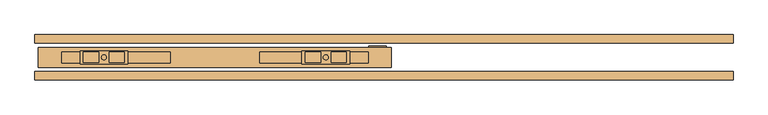
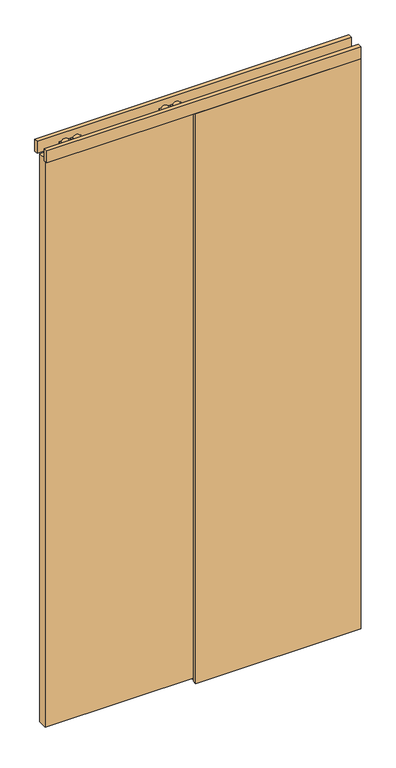
"""IFC4 building model written with IfcOpenShell, lengths in millimetres: door geometry."""

from ifc_helpers import new_model, si_unit, frame, origin, origin_with_axes, place, context, project, spatial, polyline, circle_curve, outline, extrude, source, transform, mapped, element, save
from ifc_brep_helpers import plane_surface, cylinder_surface, advanced_brep


def door_9ad7be4a(model_context):
    return source(origin(), model_context, "Body", "SolidModel", [
        advanced_brep(
        [(-520.0, 5.75, 2687.5), (-520.0, -20.25, 2687.5), (-425.0, -20.25, 2687.5), (-425.0, 5.75, 2687.5), (-462.072332, -17.9531798, 2687.5), (-462.072332, 3.4531798, 2687.5), (-431.78306, 3.4531798, 2687.5), (-431.78306, -17.9531798, 2687.5), (-513.21694, -17.9531798, 2687.5), (-513.21694, 3.4531798, 2687.5), (-482.927668, 3.4531798, 2687.5), (-482.927668, -17.9531798, 2687.5), (-477.45, -7.25, 2687.5), (-467.55, -7.25, 2687.5), (-520.0, 5.75, 2672.5), (-425.0, 5.75, 2672.5), (-425.0, -20.25, 2672.5), (-520.0, -20.25, 2672.5), (-431.78306, -17.9531798, 2672.5), (-431.78306, 3.4531798, 2672.5), (-462.072332, 3.4531798, 2672.5), (-462.072332, -17.9531798, 2672.5), (-482.927668, -17.9531798, 2672.5), (-482.927668, 3.4531798, 2672.5), (-513.21694, 3.4531798, 2672.5), (-513.21694, -17.9531798, 2672.5), (-467.55, -7.25, 2672.5), (-477.45, -7.25, 2672.5), (-467.55, -7.25, 2693.0), (-477.45, -7.25, 2693.0), (-467.55, -7.25, 2656.0), (-477.45, -7.25, 2656.0)],
        [
            (0, 1),
            (1, 2),
            (2, 3),
            (3, 0),
            (4, 5),
            (5, 6),
            (6, 7),
            (7, 4),
            (8, 9),
            (9, 10),
            (10, 11),
            (11, 8),
            (12, 13, circle_curve(frame((-472.5, -7.25, 2687.5), z_axis=(0.0, 0.0, -1.0), x_axis=(-1.0, 0.0, 0.0)), 4.95)),
            (13, 12, circle_curve(frame((-472.5, -7.25, 2687.5), z_axis=(0.0, 0.0, -1.0), x_axis=(-1.0, 0.0, 0.0)), 4.95)),
            (14, 15),
            (15, 16),
            (16, 17),
            (17, 14),
            (18, 19),
            (19, 20),
            (20, 21),
            (21, 18),
            (22, 23),
            (23, 24),
            (24, 25),
            (25, 22),
            (26, 27, circle_curve(frame((-472.5, -7.25, 2672.5), z_axis=(0.0, 0.0, 1.0), x_axis=(-1.0, 0.0, 0.0)), 4.95)),
            (27, 26, circle_curve(frame((-472.5, -7.25, 2672.5), z_axis=(0.0, 0.0, 1.0), x_axis=(-1.0, 0.0, 0.0)), 4.95)),
            (3, 15),
            (14, 0),
            (2, 16),
            (1, 17),
            (7, 4, circle_curve(frame((-446.927696, -17.9531798, 2680.0), z_axis=(0.0, -1.0, 0.0), x_axis=(-1.0, 0.0, 0.0)), 16.9)),
            (21, 18, circle_curve(frame((-446.927696, -17.9531798, 2680.0), z_axis=(0.0, -1.0, 0.0), x_axis=(-1.0, 0.0, 0.0)), 16.9)),
            (5, 6, circle_curve(frame((-446.927696, 3.4531798, 2680.0), z_axis=(0.0, 1.0, 0.0), x_axis=(-1.0, 0.0, 0.0)), 16.9)),
            (19, 20, circle_curve(frame((-446.927696, 3.4531798, 2680.0), z_axis=(0.0, 1.0, 0.0), x_axis=(-1.0, 0.0, 0.0)), 16.9)),
            (11, 8, circle_curve(frame((-498.072304, -17.9531798, 2680.0), z_axis=(0.0, -1.0, 0.0), x_axis=(1.0, 0.0, 0.0)), 16.9)),
            (25, 22, circle_curve(frame((-498.072304, -17.9531798, 2680.0), z_axis=(0.0, -1.0, 0.0), x_axis=(1.0, 0.0, 0.0)), 16.9)),
            (9, 10, circle_curve(frame((-498.072304, 3.4531798, 2680.0), z_axis=(0.0, 1.0, 0.0), x_axis=(1.0, 0.0, 0.0)), 16.9)),
            (23, 24, circle_curve(frame((-498.072304, 3.4531798, 2680.0), z_axis=(0.0, 1.0, 0.0), x_axis=(1.0, 0.0, 0.0)), 16.9)),
            (28, 29, circle_curve(frame((-472.5, -7.25, 2693.0), z_axis=(0.0, 0.0, 1.0), x_axis=(-1.0, 0.0, 0.0)), 4.95)),
            (29, 28, circle_curve(frame((-472.5, -7.25, 2693.0), z_axis=(0.0, 0.0, 1.0), x_axis=(-1.0, 0.0, 0.0)), 4.95)),
            (30, 31, circle_curve(frame((-472.5, -7.25, 2656.0), z_axis=(0.0, 0.0, -1.0), x_axis=(-1.0, 0.0, 0.0)), 4.95)),
            (31, 30, circle_curve(frame((-472.5, -7.25, 2656.0), z_axis=(0.0, 0.0, -1.0), x_axis=(-1.0, 0.0, 0.0)), 4.95)),
            (30, 26),
            (27, 31),
            (29, 12),
            (13, 28),
        ],
        [
            plane_surface(frame((-425.0, 5.75, 2687.5), z_axis=(0.0, 0.0, 1.0), x_axis=(1.0, 0.0, 0.0))),
            plane_surface(frame((-425.0, 5.75, 2672.5), z_axis=(0.0, 0.0, -1.0), x_axis=(-1.0, 0.0, 0.0))),
            plane_surface(frame((-520.0, 5.75, 2687.5), z_axis=(0.0, 1.0, 0.0), x_axis=(0.0, 0.0, -1.0))),
            plane_surface(frame((-425.0, 5.75, 2687.5), z_axis=(1.0, 0.0, 0.0), x_axis=(0.0, 0.0, -1.0))),
            plane_surface(frame((-425.0, -20.25, 2687.5), z_axis=(0.0, -1.0, 0.0), x_axis=(0.0, 0.0, -1.0))),
            plane_surface(frame((-520.0, -20.25, 2687.5), z_axis=(-1.0, 0.0, 0.0), x_axis=(0.0, 0.0, -1.0))),
            plane_surface(frame((-463.827696, -17.9531798, 2680.0), z_axis=(0.0, -1.0, 0.0), x_axis=(0.0, 0.0, 1.0))),
            plane_surface(frame((-463.827696, 3.4531798, 2680.0), z_axis=(0.0, 1.0, 0.0), x_axis=(0.0, 0.0, -1.0))),
            cylinder_surface(frame((-446.927696, 3.4531798, 2680.0), z_axis=(0.0, -1.0, 0.0), x_axis=(-1.0, 0.0, 0.0)), 16.9),
            plane_surface(frame((-481.172304, -17.9531798, 2680.0), z_axis=(0.0, -1.0, 0.0), x_axis=(0.0, 0.0, -1.0))),
            plane_surface(frame((-481.172304, 3.4531798, 2680.0), z_axis=(0.0, 1.0, 0.0), x_axis=(0.0, 0.0, 1.0))),
            cylinder_surface(frame((-498.072304, 3.4531798, 2680.0), z_axis=(0.0, -1.0, 0.0), x_axis=(1.0, 0.0, 0.0)), 16.9),
            plane_surface(frame((-477.45, -7.25, 2693.0), z_axis=(0.0, 0.0, 1.0), x_axis=(0.0, 1.0, 0.0))),
            plane_surface(frame((-477.45, -7.25, 2656.0), z_axis=(0.0, 0.0, -1.0), x_axis=(0.0, -1.0, 0.0))),
            cylinder_surface(frame((-472.5, -7.25, 2656.0), z_axis=(0.0, 0.0, 1.0), x_axis=(-1.0, 0.0, 0.0)), 4.95),
        ],
        [
            (0, [[1, 2, 3, 4], [5, 6, 7, 8], [9, 10, 11, 12], [13, 14]]),
            (1, [[15, 16, 17, 18], [19, 20, 21, 22], [23, 24, 25, 26], [27, 28]]),
            (2, [[29, -15, 30, -4]]),
            (3, [[31, -16, -29, -3]]),
            (4, [[32, -17, -31, -2]]),
            (5, [[-30, -18, -32, -1]]),
            (6, [[-8, 33]]),
            (6, [[-22, 34]]),
            (7, [[-6, 35]]),
            (7, [[-20, 36]]),
            (8, [[-21, -36, -19, -34]]),
            (8, [[-7, -35, -5, -33]]),
            (9, [[-12, 37]]),
            (9, [[-26, 38]]),
            (10, [[-10, 39]]),
            (10, [[-24, 40]]),
            (11, [[-25, -40, -23, -38]]),
            (11, [[-11, -39, -9, -37]]),
            (12, [[41, 42]]),
            (13, [[43, 44]]),
            (14, [[45, -28, 46, -43]]),
            (14, [[47, -14, 48, -42]]),
            (14, [[-48, -13, -47, -41]]),
            (14, [[-46, -27, -45, -44]]),
        ],
    ),
        extrude(outline(polyline([(-556.5, -18.5074263), (-556.5, 3.4925737), (-341.5, 3.4925737), (-341.5, -18.5074263), (-556.5, -18.5074263)])), frame((0.0, 0.0, 2631.2), z_axis=(0.0, 0.0, 1.0), x_axis=(1.0, 0.0, 0.0)), (0.0, 0.0, 1.0), 24.8),
        advanced_brep(
        [(15.0, 5.75, 2687.5), (-80.0, 5.75, 2687.5), (-80.0, -20.25, 2687.5), (15.0, -20.25, 2687.5), (-42.927668, -17.9531798, 2687.5), (-73.21694, -17.9531798, 2687.5), (-73.21694, 3.4531798, 2687.5), (-42.927668, 3.4531798, 2687.5), (8.21694, -17.9531798, 2687.5), (-22.072332, -17.9531798, 2687.5), (-22.072332, 3.4531798, 2687.5), (8.21694, 3.4531798, 2687.5), (-27.55, -7.25, 2687.5), (-37.45, -7.25, 2687.5), (15.0, 5.75, 2672.5), (15.0, -20.25, 2672.5), (-80.0, -20.25, 2672.5), (-80.0, 5.75, 2672.5), (-73.21694, -17.9531798, 2672.5), (-42.927668, -17.9531798, 2672.5), (-42.927668, 3.4531798, 2672.5), (-73.21694, 3.4531798, 2672.5), (-22.072332, -17.9531798, 2672.5), (8.21694, -17.9531798, 2672.5), (8.21694, 3.4531798, 2672.5), (-22.072332, 3.4531798, 2672.5), (-37.45, -7.25, 2672.5), (-27.55, -7.25, 2672.5), (-37.45, -7.25, 2693.0), (-27.55, -7.25, 2693.0), (-37.45, -7.25, 2656.0), (-27.55, -7.25, 2656.0)],
        [
            (0, 1),
            (1, 2),
            (2, 3),
            (3, 0),
            (4, 5),
            (5, 6),
            (6, 7),
            (7, 4),
            (8, 9),
            (9, 10),
            (10, 11),
            (11, 8),
            (12, 13, circle_curve(frame((-32.5, -7.25, 2687.5), z_axis=(0.0, 0.0, -1.0), x_axis=(1.0, 0.0, 0.0)), 4.95)),
            (13, 12, circle_curve(frame((-32.5, -7.25, 2687.5), z_axis=(0.0, 0.0, -1.0), x_axis=(1.0, 0.0, 0.0)), 4.95)),
            (14, 15),
            (15, 16),
            (16, 17),
            (17, 14),
            (18, 19),
            (19, 20),
            (20, 21),
            (21, 18),
            (22, 23),
            (23, 24),
            (24, 25),
            (25, 22),
            (26, 27, circle_curve(frame((-32.5, -7.25, 2672.5), z_axis=(0.0, 0.0, 1.0), x_axis=(1.0, 0.0, 0.0)), 4.95)),
            (27, 26, circle_curve(frame((-32.5, -7.25, 2672.5), z_axis=(0.0, 0.0, 1.0), x_axis=(1.0, 0.0, 0.0)), 4.95)),
            (0, 14),
            (17, 1),
            (16, 2),
            (15, 3),
            (18, 19, circle_curve(frame((-58.072304, -17.9531798, 2680.0), z_axis=(0.0, -1.0, 0.0), x_axis=(1.0, 0.0, 0.0)), 16.9)),
            (4, 5, circle_curve(frame((-58.072304, -17.9531798, 2680.0), z_axis=(0.0, -1.0, 0.0), x_axis=(1.0, 0.0, 0.0)), 16.9)),
            (6, 7, circle_curve(frame((-58.072304, 3.4531798, 2680.0), z_axis=(0.0, 1.0, 0.0), x_axis=(1.0, 0.0, 0.0)), 16.9)),
            (20, 21, circle_curve(frame((-58.072304, 3.4531798, 2680.0), z_axis=(0.0, 1.0, 0.0), x_axis=(1.0, 0.0, 0.0)), 16.9)),
            (8, 9, circle_curve(frame((-6.927696, -17.9531798, 2680.0), z_axis=(0.0, -1.0, 0.0), x_axis=(-1.0, 0.0, 0.0)), 16.9)),
            (22, 23, circle_curve(frame((-6.927696, -17.9531798, 2680.0), z_axis=(0.0, -1.0, 0.0), x_axis=(-1.0, 0.0, 0.0)), 16.9)),
            (24, 25, circle_curve(frame((-6.927696, 3.4531798, 2680.0), z_axis=(0.0, 1.0, 0.0), x_axis=(-1.0, 0.0, 0.0)), 16.9)),
            (10, 11, circle_curve(frame((-6.927696, 3.4531798, 2680.0), z_axis=(0.0, 1.0, 0.0), x_axis=(-1.0, 0.0, 0.0)), 16.9)),
            (28, 29, circle_curve(frame((-32.5, -7.25, 2693.0), z_axis=(0.0, 0.0, 1.0), x_axis=(1.0, 0.0, 0.0)), 4.95)),
            (29, 28, circle_curve(frame((-32.5, -7.25, 2693.0), z_axis=(0.0, 0.0, 1.0), x_axis=(1.0, 0.0, 0.0)), 4.95)),
            (30, 31, circle_curve(frame((-32.5, -7.25, 2656.0), z_axis=(0.0, 0.0, -1.0), x_axis=(1.0, 0.0, 0.0)), 4.95)),
            (31, 30, circle_curve(frame((-32.5, -7.25, 2656.0), z_axis=(0.0, 0.0, -1.0), x_axis=(1.0, 0.0, 0.0)), 4.95)),
            (28, 13),
            (12, 29),
            (31, 27),
            (26, 30),
        ],
        [
            plane_surface(frame((-80.0, 5.75, 2687.5), z_axis=(0.0, 0.0, 1.0), x_axis=(-1.0, 0.0, 0.0))),
            plane_surface(frame((-80.0, 5.75, 2672.5), z_axis=(0.0, 0.0, -1.0), x_axis=(1.0, 0.0, 0.0))),
            plane_surface(frame((15.0, 5.75, 2687.5), z_axis=(0.0, 1.0, 0.0), x_axis=(0.0, 0.0, -1.0))),
            plane_surface(frame((-80.0, 5.75, 2687.5), z_axis=(-1.0, 0.0, 0.0), x_axis=(0.0, 0.0, -1.0))),
            plane_surface(frame((-80.0, -20.25, 2687.5), z_axis=(0.0, -1.0, 0.0), x_axis=(0.0, 0.0, -1.0))),
            plane_surface(frame((15.0, -20.25, 2687.5), z_axis=(1.0, 0.0, 0.0), x_axis=(0.0, 0.0, -1.0))),
            plane_surface(frame((-41.172304, -17.9531798, 2680.0), z_axis=(0.0, -1.0, 0.0), x_axis=(0.0, 0.0, 1.0))),
            plane_surface(frame((-41.172304, 3.4531798, 2680.0), z_axis=(0.0, 1.0, 0.0), x_axis=(0.0, 0.0, -1.0))),
            cylinder_surface(frame((-58.072304, 3.4531798, 2680.0), z_axis=(0.0, -1.0, 0.0), x_axis=(1.0, 0.0, 0.0)), 16.9),
            plane_surface(frame((-23.827696, -17.9531798, 2680.0), z_axis=(0.0, -1.0, 0.0), x_axis=(0.0, 0.0, -1.0))),
            plane_surface(frame((-23.827696, 3.4531798, 2680.0), z_axis=(0.0, 1.0, 0.0), x_axis=(0.0, 0.0, 1.0))),
            cylinder_surface(frame((-6.927696, 3.4531798, 2680.0), z_axis=(0.0, -1.0, 0.0), x_axis=(-1.0, 0.0, 0.0)), 16.9),
            plane_surface(frame((-27.55, -7.25, 2693.0), z_axis=(0.0, 0.0, 1.0), x_axis=(0.0, 1.0, 0.0))),
            plane_surface(frame((-27.55, -7.25, 2656.0), z_axis=(0.0, 0.0, -1.0), x_axis=(0.0, -1.0, 0.0))),
            cylinder_surface(frame((-32.5, -7.25, 2656.0), z_axis=(0.0, 0.0, 1.0), x_axis=(1.0, 0.0, 0.0)), 4.95),
        ],
        [
            (0, [[1, 2, 3, 4], [5, 6, 7, 8], [9, 10, 11, 12], [13, 14]]),
            (1, [[15, 16, 17, 18], [19, 20, 21, 22], [23, 24, 25, 26], [27, 28]]),
            (2, [[-1, 29, -18, 30]]),
            (3, [[-2, -30, -17, 31]]),
            (4, [[-3, -31, -16, 32]]),
            (5, [[-4, -32, -15, -29]]),
            (6, [[33, -19]]),
            (6, [[34, -5]]),
            (7, [[35, -7]]),
            (7, [[36, -21]]),
            (8, [[-33, -22, -36, -20]]),
            (8, [[-34, -8, -35, -6]]),
            (9, [[37, -9]]),
            (9, [[38, -23]]),
            (10, [[39, -25]]),
            (10, [[40, -11]]),
            (11, [[-38, -26, -39, -24]]),
            (11, [[-37, -12, -40, -10]]),
            (12, [[41, 42]]),
            (13, [[43, 44]]),
            (14, [[-41, 45, -13, 46]]),
            (14, [[-44, 47, -27, 48]]),
            (14, [[-42, -46, -14, -45]]),
            (14, [[-43, -48, -28, -47]]),
        ],
    ),
        extrude(outline(polyline([(51.5, -18.5074263), (-163.5, -18.5074263), (-163.5, 3.4925737), (51.5, 3.4925737), (51.5, -18.5074263)])), frame((0.0, 0.0, 2631.2), z_axis=(0.0, 0.0, 1.0), x_axis=(1.0, 0.0, 0.0)), (0.0, 0.0, 1.0), 24.8),
        extrude(outline(polyline([(-602.5, 12.75), (97.5, 12.75), (97.5, -27.25), (-602.5, -27.25), (-602.5, 12.75)])), frame((0.0, 0.0, 10.0), z_axis=(0.0, 0.0, 1.0), x_axis=(1.0, 0.0, 0.0)), (0.0, 0.0, 1.0), 2646.0),
        extrude(outline(polyline([(15.3483682, 2.0), (15.3483682, 0.0), (-21.25, 0.0), (-21.25, 2.0), (-2.6516318, 2.0), (-2.6516318, 26.0), (1.6516318, 26.0), (1.6516318, 2.0), (15.3483682, 2.0)])), frame((52.5, 0.0, 0.0), z_axis=(1.0, 0.0, 0.0), x_axis=(0.0, 1.0, 0.0)), (0.0, 0.0, 1.0), 35.0),
        extrude(outline(polyline([(775.5, 37.75), (775.5, 20.75), (-609.5, 20.75), (-609.5, 37.75), (775.5, 37.75)])), frame((0.0, 0.0, 2655.0), z_axis=(0.0, 0.0, 1.0), x_axis=(1.0, 0.0, 0.0)), (0.0, 0.0, 1.0), 57.0),
        extrude(outline(polyline([(775.5, -35.25), (775.5, -52.25), (-609.5, -52.25), (-609.5, -35.25), (775.5, -35.25)])), frame((0.0, 0.0, 2655.0), z_axis=(0.0, 0.0, 1.0), x_axis=(1.0, 0.0, 0.0)), (0.0, 0.0, 1.0), 57.0),
        extrude(outline(polyline([(775.5, 37.75), (775.5, 20.75), (47.5, 20.75), (47.5, 37.75), (775.5, 37.75)])), origin_with_axes(), (0.0, 0.0, 1.0), 2655.0),
        extrude(outline(polyline([(775.5, -35.25), (775.5, -52.25), (47.5, -52.25), (47.5, -35.25), (775.5, -35.25)])), origin_with_axes(), (0.0, 0.0, 1.0), 2655.0),
    ])


if __name__ == "__main__":
    model = new_model("IFC4")
    model_context = context("Model", 3, world=origin())
    ifc_project = project(units=[si_unit("LENGTHUNIT", "METRE", prefix="MILLI")], contexts=[model_context])
    site = spatial("IfcSite", under=ifc_project)
    building = spatial("IfcBuilding", under=site)
    placement = place(None, origin())
    door_shape = door_9ad7be4a(model_context)
    element("IfcDoor", 1, at=placement, inside=building, context=model_context, shape_type="MappedRepresentation", body=[
        mapped(door_shape, transform((0.0, 0.0, 0.0), x_axis=(1.0, 0.0, 0.0), y_axis=(0.0, 1.0, 0.0), z_axis=(0.0, 0.0, 1.0))),
    ])
    save(model, "model.ifc")
